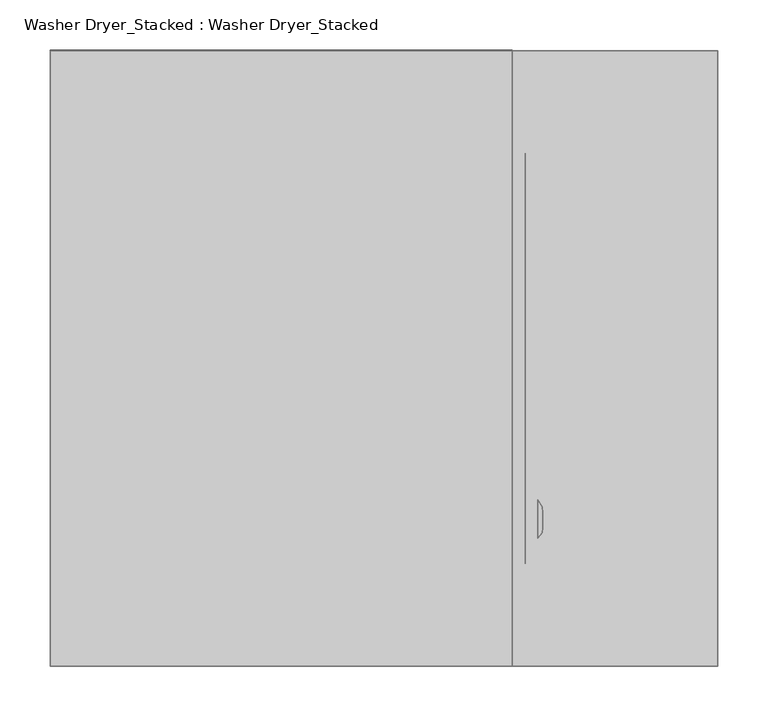
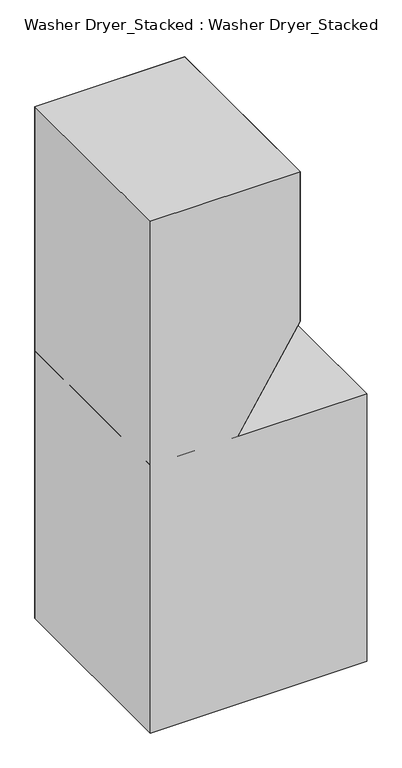
"""IFC4 building model written with IfcOpenShell, lengths in millimetres: proxy geometry, Washer Dryer_Stacked : Washer Dryer_Stacked."""

from ifc_helpers import new_model, si_unit, origin, place, context, project, spatial, triangles, source, transform, mapped, element, save


def washer_dryer_stacked_washer_dryer_stacked_1ddba0b3(model_context):
    return source(origin(), model_context, "Body", "Tessellation", [
        triangles([(482.6000121, 126.999997, 1320.8000484), (482.6000121, 165.1000061, 1320.8000484), (482.6000121, 165.1000242, 1447.8), (482.6000121, 127.0000242, 1447.8), (486.7037224, 132.3069768, 1320.8000484), (486.7037224, 132.3070041, 1447.8), (487.6161667, 137.5534862, 1320.8000484), (487.6161667, 137.5535134, 1447.8), (487.6161667, 152.1209382, 1320.8000484), (487.6161667, 152.1209563, 1447.8), (487.0585336, 158.3720919, 1320.8000484), (487.0585336, 158.37211, 1447.8), (423.176895, 393.6999879, 1087.0390989), (423.176895, 215.8999939, 1087.0390989), (405.3034947, 215.8999758, 1060.838518), (405.3034947, 393.6999879, 1060.838518)], [[1, 2, 3], [4, 1, 3], [5, 1, 4], [5, 6, 4], [5, 7, 6], [7, 8, 6], [7, 9, 8], [9, 10, 8], [9, 11, 10], [11, 12, 10], [11, 2, 12], [2, 3, 12], [4, 3, 2], [2, 1, 4], [13, 14, 15], [15, 16, 13]], closed=False),
        triangles([(279.4000061, 38.1000045, 876.3), (634.9999758, 38.1000045, 876.3), (279.4000061, 571.5, 876.3), (634.9999758, 571.5, 876.3), (452.6427564, 571.5000363, 1148.676107), (452.6427564, 38.1000273, 1148.676107), (283.3414261, 38.1000045, 876.4116938), (283.3414261, 571.5, 876.4116938), (469.8999879, 101.6000575, 1536.6999516), (469.8999879, 101.6000394, 1219.2), (469.8999879, 508.0000606, 1536.6999516), (469.8999879, 508.0000606, 1219.2), (0.0, 609.6000727, 1168.3999758), (457.2, 609.6000727, 1168.3999758), (0.0, 609.6, 863.5999758), (266.7, 609.6, 863.5999758), (457.2, 3e-05, 1168.3999758), (0.0, 3e-05, 1168.3999758), (0.0, 3.3e-06, 863.5999758), (266.7, 3.3e-06, 863.5999758), (457.2, 7.22e-05, 1650.9999516), (0.0, 7.22e-05, 1650.9999516), (457.2, 609.6000727, 1650.9999516), (0.0, 609.6000727, 1650.9999516), (0.0, 609.6, 812.8000242), (660.4000242, 609.6, 812.8000242), (0.0, 609.5999637, -2.66e-05), (660.4000242, 609.5999637, -2.66e-05), (660.4000242, 609.6, 863.5999758), (660.4000242, 3.3e-06, 863.5999758), (0.0, -1.1e-06, 812.8000242), (660.4000242, -1.1e-06, 812.8000242), (0.0, -7.22e-05, 2.66e-05), (660.4000242, -7.22e-05, 2.66e-05)], [[1, 2, 3], [4, 3, 2], [5, 6, 7], [7, 8, 5], [9, 10, 11], [12, 11, 10], [13, 14, 15], [16, 15, 14], [17, 18, 19], [19, 20, 17], [21, 22, 18], [18, 17, 21], [23, 24, 21], [22, 21, 24], [14, 13, 24], [24, 23, 14], [25, 26, 27], [28, 27, 26], [15, 29, 26], [26, 25, 15], [19, 30, 15], [29, 15, 30], [31, 32, 30], [30, 19, 31], [33, 34, 31], [32, 31, 34], [22, 24, 27], [27, 33, 22], [26, 32, 34], [34, 28, 26], [29, 30, 26], [32, 26, 30], [14, 17, 20], [20, 16, 14], [23, 21, 14], [17, 14, 21]], closed=False),
    ])


if __name__ == "__main__":
    model = new_model("IFC4")
    model_context = context("Model", 3, world=origin())
    ifc_project = project(units=[si_unit("LENGTHUNIT", "METRE", prefix="MILLI")], contexts=[model_context])
    site = spatial("IfcSite", under=ifc_project)
    building = spatial("IfcBuilding", under=site)
    placement = place(None, origin())
    washer_dryer_stacked_washer_dryer_stacked_shape = washer_dryer_stacked_washer_dryer_stacked_1ddba0b3(model_context)
    element("IfcBuildingElementProxy", 1, Name="Washer Dryer_Stacked : Washer Dryer_Stacked", ObjectType="Washer Dryer_Stacked : Washer Dryer_Stacked", at=placement, inside=building, context=model_context, shape_type="MappedRepresentation", body=[
        mapped(washer_dryer_stacked_washer_dryer_stacked_shape, transform((0.0, 0.0, 0.0), x_axis=(1.0, 0.0, 0.0), y_axis=(0.0, 1.0, 0.0), z_axis=(0.0, 0.0, 1.0))),
    ])
    save(model, "model.ifc")
